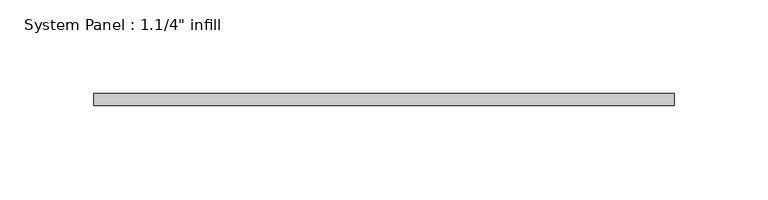
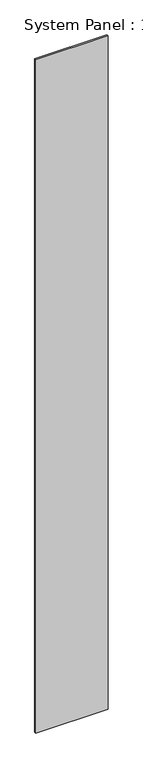
"""IFC4 building model written with IfcOpenShell, lengths in millimetres: plate geometry."""

from ifc_helpers import new_model, si_unit, origin, origin_with_axes, place, context, project, spatial, polyline, outline, extrude, source, transform, mapped, element, save


def plate_74d938b3(model_context):
    return source(origin(), model_context, "Body", "SweptSolid", [
        extrude(outline(polyline([(154.8955509, -6.2507813), (-154.8955509, -6.2507813), (-154.8955509, 0.0992187), (154.8955509, 0.0992187), (154.8955509, -6.2507813)])), origin_with_axes(), (0.0, 0.0, 1.0), 3048.0),
    ])


if __name__ == "__main__":
    model = new_model("IFC4")
    model_context = context("Model", 3, world=origin())
    ifc_project = project(units=[si_unit("LENGTHUNIT", "METRE", prefix="MILLI")], contexts=[model_context])
    site = spatial("IfcSite", under=ifc_project)
    building = spatial("IfcBuilding", under=site)
    placement = place(None, origin())
    plate_shape = plate_74d938b3(model_context)
    element("IfcPlate", 1, ObjectType="System Panel : 1.1/4\" infill", at=placement, inside=building, context=model_context, shape_type="MappedRepresentation", body=[
        mapped(plate_shape, transform((0.0, 0.0, 0.0), x_axis=(1.0, 0.0, 0.0), y_axis=(0.0, 1.0, 0.0), z_axis=(0.0, 0.0, 1.0))),
    ])
    save(model, "model.ifc")
